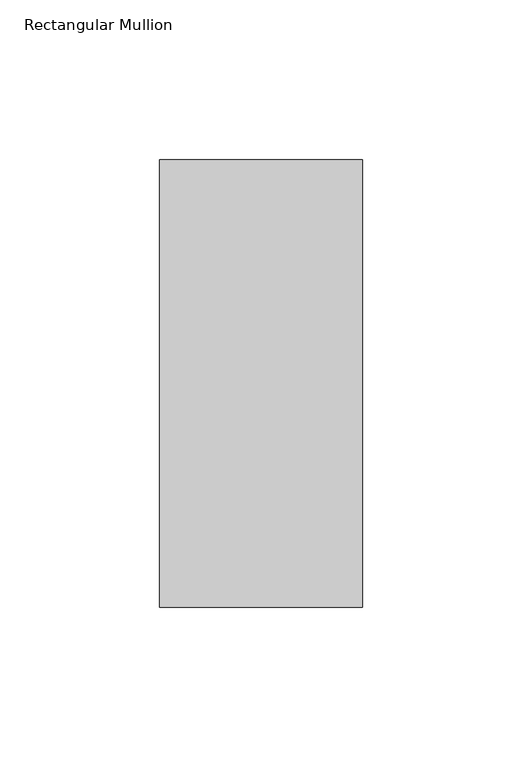
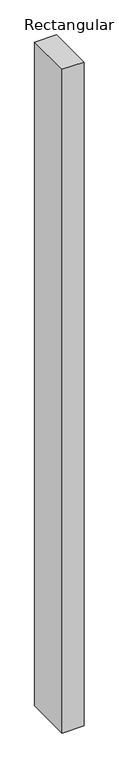
"""IFC4 building model written with IfcOpenShell, lengths in millimetres: member geometry, Rectangular Mullion."""

import ifcopenshell
import ifcopenshell.guid

model = None  # the IFC model being written
_history = None  # IfcOwnerHistory: only IFC2X3 demands one
_inside = {}  # id of a spatial element -> (the spatial element, [elements in it])
_under = {}  # id of a project, library or spatial element -> (it, [spatial elements below it])
_declared = {}  # id of a project -> (the project, [libraries it declares])
_typed = {}  # id of a type object -> (the type object, [elements of that type])
_made_of = {}  # id of a material, layer set ... -> (it, [elements and type objects made of it])


def new_model(schema):
    """Start an empty IFC model of exactly this schema.

    Asked for "IFC4X3", IfcOpenShell would pick the latest addendum, in which some entities
    have other attributes; the version numbers below select the first issue.
    IFC2X3 requires an IfcOwnerHistory on every rooted entity: one is made here for all.
    """
    global model, _history
    if schema == "IFC4X3":
        model = ifcopenshell.file(schema_version=(4, 3, 0, 0))
    else:
        model = ifcopenshell.file(schema=schema)
    _inside.clear()
    _under.clear()
    _declared.clear()
    _typed.clear()
    _made_of.clear()
    _history = None
    if model.schema == "IFC2X3":
        org = make("IfcOrganization", Name="unknown")
        user = make(
            "IfcPersonAndOrganization",
            ThePerson=make("IfcPerson", FamilyName="unknown"),
            TheOrganization=org,
        )
        app = make(
            "IfcApplication",
            ApplicationDeveloper=org,
            Version="unknown",
            ApplicationFullName="unknown",
            ApplicationIdentifier="unknown",
        )
        _history = make(
            "IfcOwnerHistory",
            OwningUser=user,
            OwningApplication=app,
            ChangeAction="ADDED",
            CreationDate=0,
        )
    return model


def make(cls, **values):
    """One entity of the class cls with the attributes given. An attribute that is None is left unset."""
    return model.create_entity(
        cls, **{name: value for name, value in values.items() if value is not None}
    )


def rooted(cls, **values):
    """An entity with a GlobalId (a new one), such as an element, a storey or a relation."""
    return make(cls, GlobalId=ifcopenshell.guid.new(), OwnerHistory=_history, **values)


def si_unit(unit_type, name, prefix=None):
    """IfcSIUnit, for example si_unit("LENGTHUNIT", "METRE", prefix="MILLI")."""
    return make("IfcSIUnit", UnitType=unit_type, Prefix=prefix, Name=name)


def assignment(units):
    """IfcUnitAssignment: the units of a project."""
    return None if units is None else make("IfcUnitAssignment", Units=units)


def point(xyz):
    """IfcCartesianPoint."""
    return None if xyz is None else make("IfcCartesianPoint", Coordinates=xyz)


def direction(xyz):
    """IfcDirection."""
    return None if xyz is None else make("IfcDirection", DirectionRatios=xyz)


def frame(location, z_axis=None, x_axis=None):
    """IfcAxis2Placement3D, a coordinate frame: its origin and axes. An axis left out is left unset."""
    return make(
        "IfcAxis2Placement3D",
        Location=point(location),
        Axis=direction(z_axis),
        RefDirection=direction(x_axis),
    )


def origin():
    """The frame at (0, 0, 0) with its axes left unset."""
    return frame((0.0, 0.0, 0.0))


def place(relative_to, where):
    """IfcLocalPlacement: puts the frame where relative to a parent placement (None: the world)."""
    return make(
        "IfcLocalPlacement", PlacementRelTo=relative_to, RelativePlacement=where
    )


def context(
    kind, dimensions, precision=None, world=None, true_north=None, identifier=None
):
    """IfcGeometricRepresentationContext, for example the 3D "Model" context."""
    return make(
        "IfcGeometricRepresentationContext",
        ContextIdentifier=identifier,
        ContextType=kind,
        CoordinateSpaceDimension=dimensions,
        Precision=precision,
        WorldCoordinateSystem=world,
        TrueNorth=true_north,
    )


def project(units=None, contexts=None):
    """IfcProject with its units and contexts."""
    return rooted(
        "IfcProject",
        Name="project",
        RepresentationContexts=contexts,
        UnitsInContext=assignment(units),
    )


def spatial(cls, under=None, at=None, **own):
    """A site, building, storey or space (cls), placed at a placement, below another one or the project."""
    s = rooted(cls, ObjectPlacement=at, **own)
    if under is not None:
        _under.setdefault(under.id(), (under, []))[1].append(s)
    return s


def polyline(points):
    """IfcPolyline through the points."""
    return make("IfcPolyline", Points=[point(p) for p in points])


def outline(outer, holes=None, kind="AREA"):
    """IfcArbitraryClosedProfileDef: a profile drawn as a closed curve; with holes, ...WithVoids."""
    if holes is None:
        return make("IfcArbitraryClosedProfileDef", ProfileType=kind, OuterCurve=outer)
    return make(
        "IfcArbitraryProfileDefWithVoids",
        ProfileType=kind,
        OuterCurve=outer,
        InnerCurves=holes,
    )


def extrude(swept, where, along, depth):
    """IfcExtrudedAreaSolid: the profile swept, set in the frame where, extruded along a direction by depth."""
    return make(
        "IfcExtrudedAreaSolid",
        SweptArea=swept,
        Position=where,
        ExtrudedDirection=direction(along),
        Depth=depth,
    )


def shape(context_of_items, identifier, shape_type, items):
    """IfcShapeRepresentation: the items that make up one representation, for example the "Body"."""
    return make(
        "IfcShapeRepresentation",
        ContextOfItems=context_of_items,
        RepresentationIdentifier=identifier,
        RepresentationType=shape_type,
        Items=items,
    )


def source(mapping_origin, context_of_items, identifier, shape_type, items):
    """IfcRepresentationMap: a shape defined once, which mapped items show again and again."""
    return make(
        "IfcRepresentationMap",
        MappingOrigin=mapping_origin,
        MappedRepresentation=shape(context_of_items, identifier, shape_type, items),
    )


def transform(
    local_origin,
    x_axis=None,
    y_axis=None,
    z_axis=None,
    scale=None,
    scale2=None,
    scale3=None,
    uniform=True,
):
    """IfcCartesianTransformationOperator3D, or its non-uniform kind. x_axis, y_axis, z_axis: its Axis1, 2, 3."""
    if uniform:
        return make(
            "IfcCartesianTransformationOperator3D",
            Axis1=direction(x_axis),
            Axis2=direction(y_axis),
            LocalOrigin=point(local_origin),
            Scale=scale,
            Axis3=direction(z_axis),
        )
    return make(
        "IfcCartesianTransformationOperator3DnonUniform",
        Axis1=direction(x_axis),
        Axis2=direction(y_axis),
        LocalOrigin=point(local_origin),
        Scale=scale,
        Axis3=direction(z_axis),
        Scale2=scale2,
        Scale3=scale3,
    )


def mapped(mapping_source, mapping_target):
    """IfcMappedItem: shows the shape of a source again, moved by a transform."""
    return make(
        "IfcMappedItem", MappingSource=mapping_source, MappingTarget=mapping_target
    )


def made_of(thing, what):
    """Note that an element or type object is made of a material, layer set ...; save() writes the relation."""
    if what is not None:
        _made_of.setdefault(what.id(), (what, []))[1].append(thing)
    return thing


def element(
    cls,
    number,
    at=None,
    inside=None,
    cuts=None,
    type_object=None,
    material=None,
    context=None,
    identifier="Body",
    shape_type=None,
    held_by="IfcProductDefinitionShape",
    body=None,
    shapes=None,
    **own,
):
    """One element of the class cls, such as IfcWall. Its Tag is "e" and its number.

    at: its placement. inside: the storey or other place that contains it. cuts: it is an
    opening in that element (IfcRelVoidsElement). A single representation is given by context,
    identifier, shape_type and body (its items); several are given by shapes. held_by: the class
    of the entity that holds the representations. save() writes the other relations.
    """
    e = rooted(cls, Tag="e%d" % number, ObjectPlacement=at, **own)
    if body is not None:
        shapes = [shape(context, identifier, shape_type, body)]
    if shapes is not None:
        e.Representation = make(held_by, Representations=shapes)
    if inside is not None:
        _inside.setdefault(inside.id(), (inside, []))[1].append(e)
    if cuts is not None:
        rooted(
            "IfcRelVoidsElement", RelatingBuildingElement=cuts, RelatedOpeningElement=e
        )
    if type_object is not None:
        _typed.setdefault(type_object.id(), (type_object, []))[1].append(e)
    return made_of(e, material)


def aggregate(whole, parts):
    """IfcRelAggregates: a whole, such as a stair, and the parts it consists of."""
    return rooted("IfcRelAggregates", RelatingObject=whole, RelatedObjects=parts)


def save(model, path):
    """Write the relations noted so far, then the file.

    IfcRelAggregates (storeys below a building ...), IfcRelContainedInSpatialStructure (elements
    in a storey), IfcRelDefinesByType, IfcRelAssociatesMaterial and IfcRelDeclares: one each for
    every whole, place, type object, material and project.
    """
    for whole, parts in _under.values():
        aggregate(whole, parts)
    for where, things in _inside.values():
        rooted(
            "IfcRelContainedInSpatialStructure",
            RelatedElements=things,
            RelatingStructure=where,
        )
    for kind, things in _typed.values():
        rooted("IfcRelDefinesByType", RelatedObjects=things, RelatingType=kind)
    for what, things in _made_of.values():
        rooted("IfcRelAssociatesMaterial", RelatedObjects=things, RelatingMaterial=what)
    for by, libraries in _declared.values():
        rooted("IfcRelDeclares", RelatingContext=by, RelatedDefinitions=libraries)
    model.write(path)


def rectangular_mullion_db6b1788(model_context):
    return source(origin(), model_context, "Body", "SweptSolid", [
        extrude(outline(polyline([(-31.75, 190.7881313), (31.75, 190.7881313), (31.75, 50.820278), (-31.75, 50.820278), (-31.75, 190.7881313)])), frame((0.0, 0.0, -2057.4), z_axis=(0.0, 0.0, 1.0), x_axis=(1.0, 0.0, 0.0)), (0.0, 0.0, 1.0), 2057.4),
    ])


if __name__ == "__main__":
    model = new_model("IFC4")
    model_context = context("Model", 3, world=origin())
    ifc_project = project(units=[si_unit("LENGTHUNIT", "METRE", prefix="MILLI")], contexts=[model_context])
    site = spatial("IfcSite", under=ifc_project)
    building = spatial("IfcBuilding", under=site)
    placement = place(None, origin())
    rectangular_mullion_shape = rectangular_mullion_db6b1788(model_context)
    element("IfcMember", 1, ObjectType="Rectangular Mullion", at=placement, inside=building, context=model_context, shape_type="MappedRepresentation", body=[
        mapped(rectangular_mullion_shape, transform((0.0, 0.0, 0.0), x_axis=(1.0, 0.0, 0.0), y_axis=(0.0, 1.0, 0.0), z_axis=(0.0, 0.0, 1.0))),
    ])
    save(model, "model.ifc")
